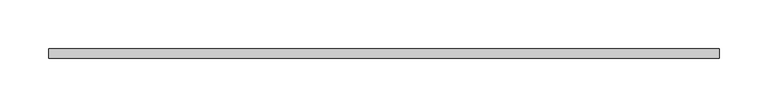
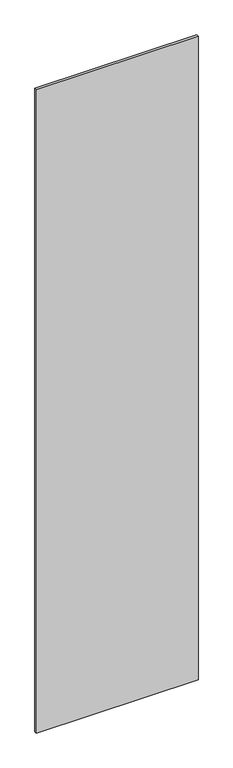
"""IFC4 building model written with IfcOpenShell, lengths in millimetres: plate geometry."""

from ifc_helpers import new_model, si_unit, origin, origin_with_axes, place, context, project, spatial, polyline, outline, extrude, source, transform, mapped, element, save


def plate_8ab51c12(model_context):
    return source(origin(), model_context, "Body", "SweptSolid", [
        extrude(outline(polyline([(344.358268, -5.0), (-344.358268, -5.0), (-344.358268, 5.0), (344.358268, 5.0), (344.358268, -5.0)])), origin_with_axes(), (0.0, 0.0, 1.0), 2895.0),
    ])


if __name__ == "__main__":
    model = new_model("IFC4")
    model_context = context("Model", 3, world=origin())
    ifc_project = project(units=[si_unit("LENGTHUNIT", "METRE", prefix="MILLI")], contexts=[model_context])
    site = spatial("IfcSite", under=ifc_project)
    building = spatial("IfcBuilding", under=site)
    placement = place(None, origin())
    plate_shape = plate_8ab51c12(model_context)
    element("IfcPlate", 1, at=placement, inside=building, context=model_context, shape_type="MappedRepresentation", body=[
        mapped(plate_shape, transform((0.0, 0.0, 0.0), x_axis=(1.0, 0.0, 0.0), y_axis=(0.0, 1.0, 0.0), z_axis=(0.0, 0.0, 1.0))),
    ])
    save(model, "model.ifc")
